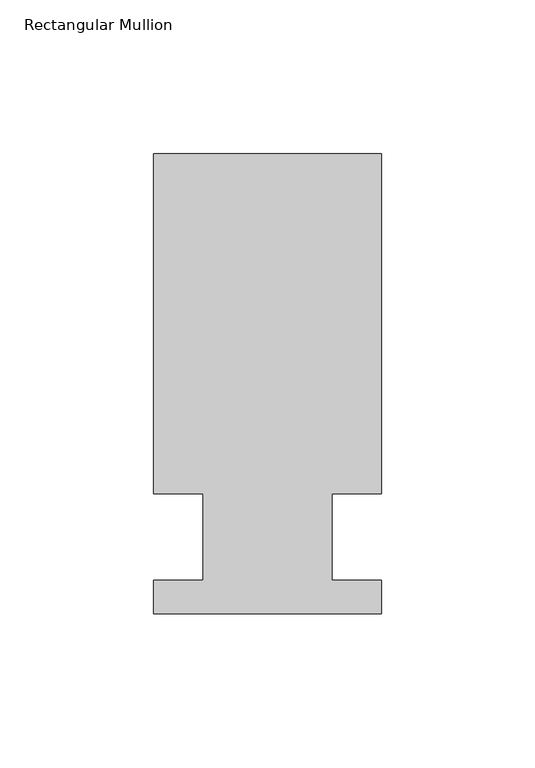
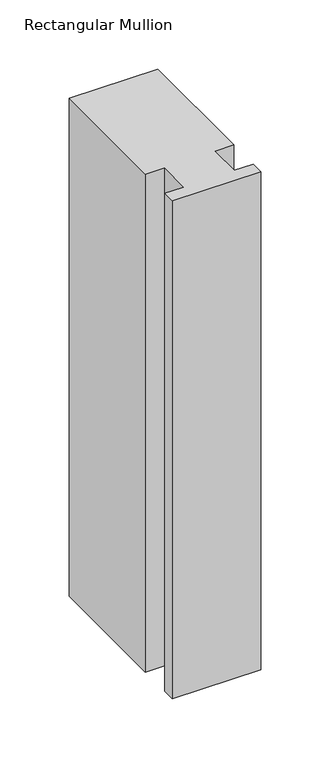
"""IFC4 building model written with IfcOpenShell, lengths in millimetres: member geometry, Rectangular Mullion."""

from ifc_helpers import new_model, si_unit, frame, origin, place, context, project, spatial, polyline, outline, extrude, source, transform, mapped, element, save


def rectangular_mullion_23e72178(model_context):
    return source(origin(), model_context, "Body", "SweptSolid", [
        extrude(outline(polyline([(-20.9800745, 13.9998907), (-37.0, 13.9998907), (-37.0, 124.5), (37.0, 124.5), (37.0, 13.9998907), (20.9800745, 13.9998907), (20.9800745, -14.0), (36.9800745, -14.0), (36.9800745, -25.0), (-37.0, -25.0), (-37.0, -14.0), (-20.9800745, -14.0), (-20.9800745, 13.9998907)])), frame((0.0, 0.0, -440.0657894), z_axis=(0.0, 0.0, 1.0), x_axis=(1.0, 0.0, 0.0)), (0.0, 0.0, 1.0), 440.0657894),
    ])


if __name__ == "__main__":
    model = new_model("IFC4")
    model_context = context("Model", 3, world=origin())
    ifc_project = project(units=[si_unit("LENGTHUNIT", "METRE", prefix="MILLI")], contexts=[model_context])
    site = spatial("IfcSite", under=ifc_project)
    building = spatial("IfcBuilding", under=site)
    placement = place(None, origin())
    rectangular_mullion_shape = rectangular_mullion_23e72178(model_context)
    element("IfcMember", 1, ObjectType="Rectangular Mullion", at=placement, inside=building, context=model_context, shape_type="MappedRepresentation", body=[
        mapped(rectangular_mullion_shape, transform((0.0, 0.0, 0.0), x_axis=(1.0, 0.0, 0.0), y_axis=(0.0, 1.0, 0.0), z_axis=(0.0, 0.0, 1.0))),
    ])
    save(model, "model.ifc")
